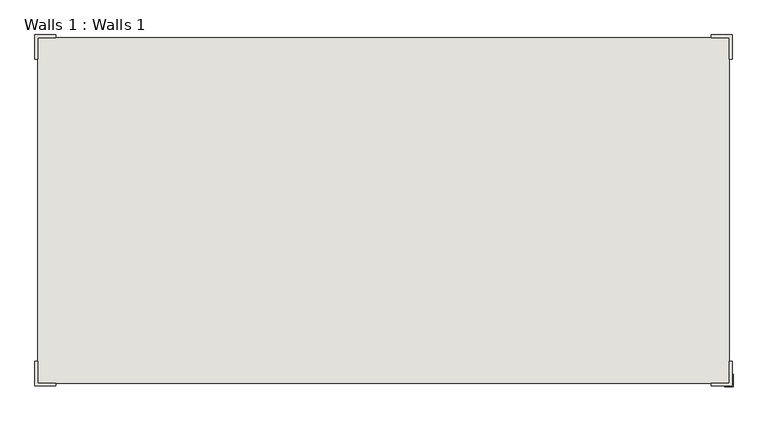
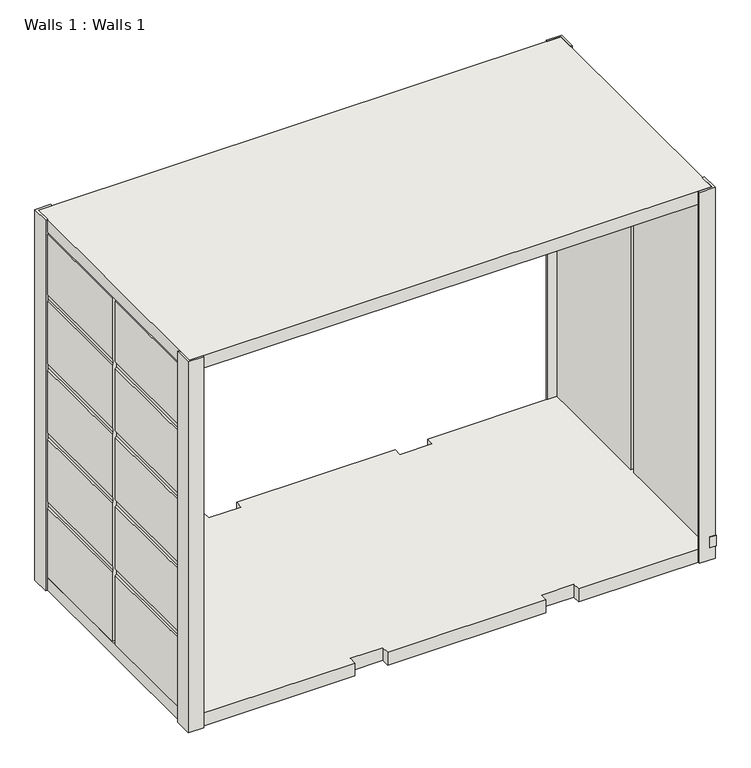
"""IFC4 building model written with IfcOpenShell, lengths in millimetres: wall geometry, Walls 1 : Walls 1."""

from ifc_helpers import new_model, si_unit, frame, origin, origin_with_axes, place, context, project, spatial, polyline, outline, extrude, source, transform, mapped, element, save


def walls_1_walls_1_9cba52b7(model_context):
    return source(origin(), model_context, "Body", "SweptSolid", [
        extrude(outline(polyline([(1307.4809712, -420.2735222), (1307.4809712, -413.9235222), (1358.2809712, -413.9235222), (1358.2809712, -331.3735222), (1364.6309712, -331.3735222), (1364.6309712, -420.2735222), (1307.4809712, -420.2735222)])), frame((0.0, 0.0, 127.0), z_axis=(0.0, 0.0, 1.0), x_axis=(1.0, 0.0, 0.0)), (0.0, 0.0, 1.0), 101.6),
        extrude(outline(polyline([(3530.6, -3499.4690288), (3530.6, -3518.5190288), (3511.55, -3537.5690288), (2914.9207684, -3537.5690288), (2901.4503842, -3524.0986446), (2863.3503842, -3524.0986446), (2849.88, -3537.5690288), (2234.2007684, -3537.5690288), (2220.7303842, -3524.0986446), (2182.6303842, -3524.0986446), (2169.16, -3537.5690288), (1553.4807684, -3537.5690288), (1540.0103842, -3524.0986446), (1501.9103842, -3524.0986446), (1488.44, -3537.5690288), (872.7607684, -3537.5690288), (859.2903842, -3524.0986446), (821.1903842, -3524.0986446), (807.72, -3537.5690288), (127.0, -3537.5690288), (127.0, -3499.4690288), (3530.6, -3499.4690288)])), frame((0.0, 849.7264778, 0.0), z_axis=(0.0, 1.0, 0.0), x_axis=(0.0, 0.0, 1.0)), (0.0, 0.0, 1.0), 1193.8),
        extrude(outline(polyline([(3530.6, -3499.4690288), (3530.6, -3518.5190288), (3511.55, -3537.5690288), (2914.9207684, -3537.5690288), (2901.4503842, -3524.0986446), (2863.3503842, -3524.0986446), (2849.88, -3537.5690288), (2234.2007684, -3537.5690288), (2220.7303842, -3524.0986446), (2182.6303842, -3524.0986446), (2169.16, -3537.5690288), (1553.4807684, -3537.5690288), (1540.0103842, -3524.0986446), (1501.9103842, -3524.0986446), (1488.44, -3537.5690288), (872.7607684, -3537.5690288), (859.2903842, -3524.0986446), (821.1903842, -3524.0986446), (807.72, -3537.5690288), (127.0, -3537.5690288), (127.0, -3499.4690288), (3530.6, -3499.4690288)])), frame((0.0, -394.8735222, 0.0), z_axis=(0.0, 1.0, 0.0), x_axis=(0.0, 0.0, 1.0)), (0.0, 0.0, 1.0), 1193.8),
        extrude(outline(polyline([(3530.6, 1301.1309712), (127.0, 1301.1309712), (127.0, 1339.2309712), (807.72, 1339.2309712), (821.1903842, 1325.760587), (859.2903842, 1325.760587), (872.7607684, 1339.2309712), (1488.44, 1339.2309712), (1501.9103842, 1325.760587), (1540.0103842, 1325.760587), (1553.4807684, 1339.2309712), (2169.16, 1339.2309712), (2182.6303842, 1325.760587), (2220.7303842, 1325.760587), (2234.2007684, 1339.2309712), (2849.88, 1339.2309712), (2863.3503842, 1325.760587), (2901.4503842, 1325.760587), (2914.9207684, 1339.2309712), (3511.55, 1339.2309712), (3530.6, 1320.1809712), (3530.6, 1301.1309712)])), frame((0.0, 849.7264778, 0.0), z_axis=(0.0, 1.0, 0.0), x_axis=(0.0, 0.0, 1.0)), (0.0, 0.0, 1.0), 1193.8),
        extrude(outline(polyline([(3530.6, 1301.1309712), (127.0, 1301.1309712), (127.0, 1339.2309712), (807.72, 1339.2309712), (821.1903842, 1325.760587), (859.2903842, 1325.760587), (872.7607684, 1339.2309712), (1488.44, 1339.2309712), (1501.9103842, 1325.760587), (1540.0103842, 1325.760587), (1553.4807684, 1339.2309712), (2169.16, 1339.2309712), (2182.6303842, 1325.760587), (2220.7303842, 1325.760587), (2234.2007684, 1339.2309712), (2849.88, 1339.2309712), (2863.3503842, 1325.760587), (2901.4503842, 1325.760587), (2914.9207684, 1339.2309712), (3511.55, 1339.2309712), (3530.6, 1320.1809712), (3530.6, 1301.1309712)])), frame((0.0, -394.8735222, 0.0), z_axis=(0.0, 1.0, 0.0), x_axis=(0.0, 0.0, 1.0)), (0.0, 0.0, 1.0), 1193.8),
        extrude(outline(polyline([(-3556.6190288, -242.4735222), (-3537.5690288, -242.4735222), (-3537.5690288, -394.8735222), (-3410.5690288, -394.8735222), (-3410.5690288, -413.9235222), (-3556.6190288, -413.9235222), (-3556.6190288, -242.4735222)])), origin_with_axes(), (0.0, 0.0, 1.0), 3657.6),
        extrude(outline(polyline([(-3556.6190288, 1891.1264778), (-3556.6190288, 2062.5764778), (-3410.5690288, 2062.5764778), (-3410.5690288, 2043.5264778), (-3537.5690288, 2043.5264778), (-3537.5690288, 1891.1264778), (-3556.6190288, 1891.1264778)])), origin_with_axes(), (0.0, 0.0, 1.0), 3657.6),
        extrude(outline(polyline([(1358.2809712, -242.4735222), (1358.2809712, -413.9235222), (1212.2309712, -413.9235222), (1212.2309712, -394.8735222), (1339.2309712, -394.8735222), (1339.2309712, -242.4735222), (1358.2809712, -242.4735222)])), origin_with_axes(), (0.0, 0.0, 1.0), 3657.6),
        extrude(outline(polyline([(1358.2809712, 1891.1264778), (1339.2309712, 1891.1264778), (1339.2309712, 2043.5264778), (1212.2309712, 2043.5264778), (1212.2309712, 2062.5764778), (1358.2809712, 2062.5764778), (1358.2809712, 1891.1264778)])), origin_with_axes(), (0.0, 0.0, 1.0), 3657.6),
        extrude(outline(polyline([(1339.2309712, 2043.5264778), (1339.2309712, -394.8735222), (-3537.5690288, -394.8735222), (-3537.5690288, 2043.5264778), (1339.2309712, 2043.5264778)])), frame((0.0, 0.0, 3530.6), z_axis=(0.0, 0.0, 1.0), x_axis=(1.0, 0.0, 0.0)), (0.0, 0.0, 1.0), 127.0),
        extrude(outline(polyline([(-1990.4781197, 2043.5264778), (-1990.4781197, 1967.3264778), (-1685.6781197, 1967.3264778), (-1685.6781197, 2043.5264778), (-207.8599379, 2043.5264778), (-207.8599379, 1967.3264778), (96.9400621, 1967.3264778), (96.9400621, 2043.5264778), (1339.2309712, 2043.5264778), (1339.2309712, -394.8735222), (96.9400621, -394.8735222), (96.9400621, -318.6735222), (-207.8599379, -318.6735222), (-207.8599379, -394.8735222), (-1685.6781197, -394.8735222), (-1685.6781197, -318.6735222), (-1990.4781197, -318.6735222), (-1990.4781197, -394.8735222), (-3537.5690288, -394.8735222), (-3537.5690288, 2043.5264778), (-1990.4781197, 2043.5264778)])), origin_with_axes(), (0.0, 0.0, 1.0), 127.0),
    ])


if __name__ == "__main__":
    model = new_model("IFC4")
    model_context = context("Model", 3, world=origin())
    ifc_project = project(units=[si_unit("LENGTHUNIT", "METRE", prefix="MILLI")], contexts=[model_context])
    site = spatial("IfcSite", under=ifc_project)
    building = spatial("IfcBuilding", under=site)
    placement = place(None, origin())
    walls_1_walls_1_shape = walls_1_walls_1_9cba52b7(model_context)
    element("IfcWall", 1, ObjectType="Walls 1 : Walls 1", at=placement, inside=building, context=model_context, shape_type="MappedRepresentation", body=[
        mapped(walls_1_walls_1_shape, transform((0.0, 0.0, 0.0), x_axis=(1.0, 0.0, 0.0), y_axis=(0.0, 1.0, 0.0), z_axis=(0.0, 0.0, 1.0))),
    ])
    save(model, "model.ifc")
